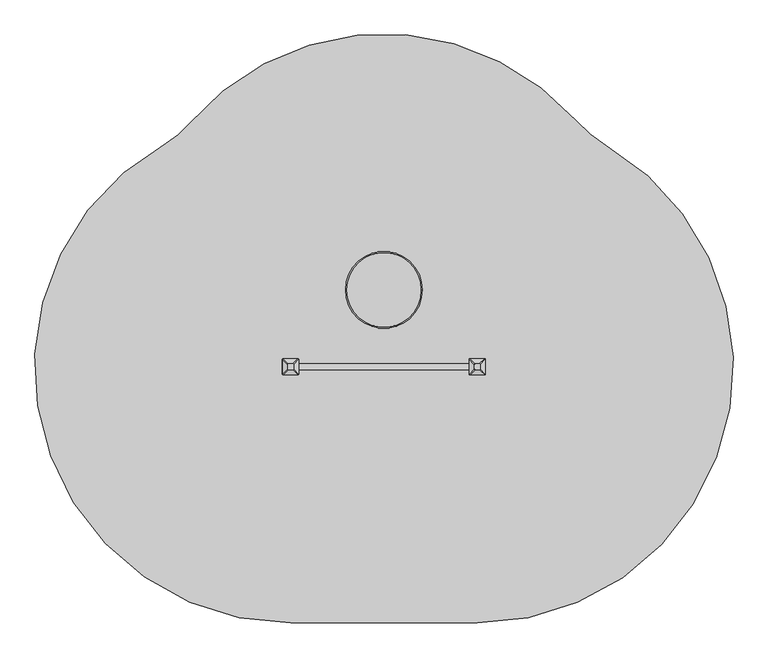
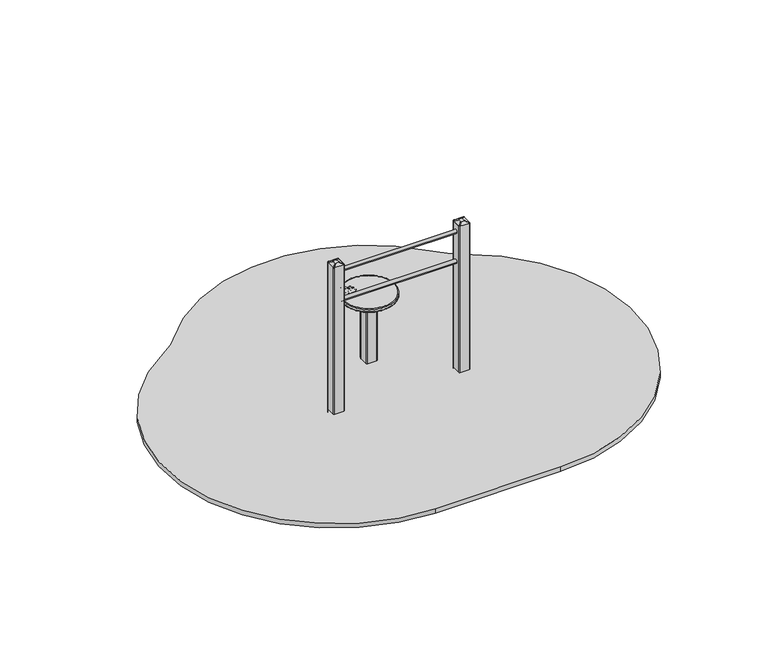
"""IFC4 building model written with IfcOpenShell, lengths in millimetres: furniture geometry."""

from ifc_helpers import new_model, si_unit, point, frame, frame_2d, origin, place, context, project, spatial, polyline, circle_curve, ellipse_curve, trimmed, segment, composite_curve, outline, extrude, source, transform, mapped, element, save
from ifc_brep_helpers import plane_surface, cylinder_surface, revolved_surface, extruded_surface, advanced_brep


def furniture_0ec9bd54(model_context):
    return source(origin(), model_context, "Body", "SolidModel", [
        advanced_brep(
        [(-225.0, 655.0, 614.909713), (225.0, 655.0, 614.909713), (225.0, 655.0, 594.909713), (-225.0, 655.0, 594.909713), (-220.0, 655.0, 619.909713), (220.0, 655.0, 619.909713), (220.0, 655.0, 589.909713), (-220.0, 655.0, 589.909713)],
        [
            (0, 1, circle_curve(frame((0.0, 655.0, 614.909713), z_axis=(0.0, 0.0, -1.0), x_axis=(1.0, 0.0, 0.0)), 225.0)),
            (1, 2),
            (2, 3, circle_curve(frame((0.0, 655.0, 594.909713), z_axis=(0.0, 0.0, 1.0), x_axis=(1.0, 0.0, 0.0)), 225.0)),
            (3, 0),
            (1, 0, circle_curve(frame((0.0, 655.0, 614.909713), z_axis=(0.0, 0.0, -1.0), x_axis=(1.0, 0.0, 0.0)), 225.0)),
            (3, 2, circle_curve(frame((0.0, 655.0, 594.909713), z_axis=(0.0, 0.0, 1.0), x_axis=(1.0, 0.0, 0.0)), 225.0)),
            (0, 4, circle_curve(frame((-220.0, 655.0, 614.909713), z_axis=(0.0, 1.0, 0.0), x_axis=(1.0, 0.0, 0.0)), 5.0)),
            (4, 5, circle_curve(frame((0.0, 655.0, 619.909713), z_axis=(0.0, 0.0, -1.0), x_axis=(1.0, 0.0, 0.0)), 220.0)),
            (5, 1, circle_curve(frame((220.0, 655.0, 614.909713), z_axis=(0.0, 1.0, 0.0), x_axis=(-1.0, 0.0, 0.0)), 5.0)),
            (5, 4, circle_curve(frame((0.0, 655.0, 619.909713), z_axis=(0.0, 0.0, -1.0), x_axis=(1.0, 0.0, 0.0)), 220.0)),
            (2, 6, circle_curve(frame((220.0, 655.0, 594.909713), z_axis=(0.0, 1.0, 0.0), x_axis=(-1.0, 0.0, 0.0)), 5.0)),
            (6, 7, circle_curve(frame((0.0, 655.0, 589.909713), z_axis=(0.0, 0.0, 1.0), x_axis=(1.0, 0.0, 0.0)), 220.0)),
            (7, 3, circle_curve(frame((-220.0, 655.0, 594.909713), z_axis=(0.0, 1.0, 0.0), x_axis=(1.0, 0.0, 0.0)), 5.0)),
            (7, 6, circle_curve(frame((0.0, 655.0, 589.909713), z_axis=(0.0, 0.0, 1.0), x_axis=(1.0, 0.0, 0.0)), 220.0)),
        ],
        [
            cylinder_surface(frame((0.0, 655.0, 356.0985708), z_axis=(0.0, 0.0, 1.0), x_axis=(1.0, 0.0, 0.0)), 225.0),
            revolved_surface(trimmed(ellipse_curve(frame((220.0, 655.0, 614.909713), z_axis=(0.0, -1.0, 0.0), x_axis=(-1.0, 0.0, 0.0)), 5.0, 5.0), [point((225.0, 655.0, 614.909713))], [point((220.0, 655.0, 619.909713))], True, "CARTESIAN"), (0.0, 655.0, 356.0985708), (0.0, 0.0, 1.0)),
            revolved_surface(trimmed(ellipse_curve(frame((220.0, 655.0, 594.909713), z_axis=(0.0, -1.0, 0.0), x_axis=(-1.0, 0.0, 0.0)), 5.0, 5.0), [point((220.0, 655.0, 589.909713))], [point((225.0, 655.0, 594.909713))], True, "CARTESIAN"), (0.0, 655.0, 356.0985708), (0.0, 0.0, 1.0)),
            plane_surface(frame((220.0, 655.0, 619.909713), z_axis=(0.0, 0.0, 1.0), x_axis=(0.0, 1.0, 0.0))),
            plane_surface(frame((220.0, 655.0, 589.909713), z_axis=(0.0, 0.0, -1.0), x_axis=(0.0, -1.0, 0.0))),
        ],
        [
            (0, [[1, 2, 3, 4]]),
            (0, [[-2, 5, -4, 6]]),
            (1, [[-1, 7, 8, 9]]),
            (1, [[-5, -9, 10, -7]]),
            (2, [[-3, 11, 12, 13]]),
            (2, [[-6, -13, 14, -11]]),
            (3, [[-8, -10]]),
            (4, [[-12, -14]]),
        ],
    ),
        extrude(outline(composite_curve([segment(trimmed(circle_curve(frame_2d((-109.945789, 765.9640076)), 57.5047727), [point((-167.4505617, 765.9640076))], [point((-52.4410163, 765.9640076))], False, "CARTESIAN"), True, "CONTINUOUS"), segment(trimmed(circle_curve(frame_2d((-109.945789, 765.9640076)), 57.5047727), [point((-52.4410163, 765.9640076))], [point((-167.4505617, 765.9640076))], False, "CARTESIAN"), True, "CONTINUOUS")], self_intersect=False), holes=[composite_curve([segment(trimmed(circle_curve(frame_2d((-128.3138267, 780.3419659)), 0.4540453), [point((-127.9437797, 780.6050673))], [point((-128.3138267, 779.8879206))], False, "CARTESIAN"), True, "CONTINUOUS"), segment(polyline([(-128.3138267, 779.8879206), (-144.7091929, 779.8879206)]), True, "CONTINUOUS"), segment(trimmed(circle_curve(frame_2d((-144.7091929, 775.1179024)), 4.7700182), [point((-144.7091929, 779.8879206))], [point((-144.7091929, 770.3478842))], True, "CARTESIAN"), True, "CONTINUOUS"), segment(polyline([(-144.7091929, 770.3478842), (-135.5327662, 770.3478842)]), True, "CONTINUOUS"), segment(trimmed(circle_curve(frame_2d((-135.5327662, 766.6555765)), 3.6923077), [point((-135.5327662, 770.3478842))], [point((-132.0631319, 765.3927329))], False, "CARTESIAN"), True, "CONTINUOUS"), segment(polyline([(-132.0631319, 765.3927329), (-139.1805561, 745.8377707)]), True, "CONTINUOUS"), segment(trimmed(circle_curve(frame_2d((-133.5869898, 746.2870818)), 5.611583), [point((-139.1805561, 745.8377707))], [point((-128.3138267, 744.3678074))], True, "CARTESIAN"), True, "CONTINUOUS"), segment(polyline([(-128.3138267, 744.3678074), (-125.0241589, 753.4060953)]), True, "CONTINUOUS"), segment(trimmed(circle_curve(frame_2d((-122.7753651, 752.5876013)), 2.3931164), [point((-125.0241589, 753.4060953))], [point((-120.5265713, 753.4060953))], False, "CARTESIAN"), True, "CONTINUOUS"), segment(polyline([(-120.5265713, 753.4060953), (-117.2369036, 744.3678074)]), True, "CONTINUOUS"), segment(trimmed(circle_curve(frame_2d((-111.9637405, 746.2870818)), 5.611583), [point((-117.2369036, 744.3678074))], [point((-106.3701742, 745.8377707))], True, "CARTESIAN"), True, "CONTINUOUS"), segment(polyline([(-106.3701742, 745.8377707), (-113.4875984, 765.3927329)]), True, "CONTINUOUS"), segment(trimmed(circle_curve(frame_2d((-110.0179641, 766.6555765)), 3.6923077), [point((-113.4875984, 765.3927329))], [point((-110.0179641, 770.3478842))], False, "CARTESIAN"), True, "CONTINUOUS"), segment(polyline([(-110.0179641, 770.3478842), (-100.8415374, 770.3478842)]), True, "CONTINUOUS"), segment(trimmed(circle_curve(frame_2d((-95.1870348, 777.807878)), 9.3608176), [point((-100.8415374, 770.3478842))], [point((-104.3138267, 779.8879206))], False, "CARTESIAN"), True, "CONTINUOUS"), segment(polyline([(-104.3138267, 779.8879206), (-117.2369036, 779.8879206)]), True, "CONTINUOUS"), segment(trimmed(circle_curve(frame_2d((-117.2369036, 780.5008204)), 0.6128997), [point((-117.2369036, 779.8879206))], [point((-117.7684156, 780.8060107))], False, "CARTESIAN"), True, "CONTINUOUS"), segment(trimmed(circle_curve(frame_2d((-123.0503583, 790.5425042)), 11.0769231), [point((-117.7684156, 780.8060107))], [point((-127.9437797, 780.6050673))], True, "CARTESIAN"), True, "CONTINUOUS")], self_intersect=False), composite_curve([segment(trimmed(circle_curve(frame_2d((-96.6356807, 770.6730779)), 1.0108717), [point((-95.8884051, 771.3538427))], [point((-96.5143941, 769.6695087))], False, "CARTESIAN"), True, "CONTINUOUS"), segment(polyline([(-96.5143941, 769.6695087), (-109.1313316, 769.6695087)]), True, "CONTINUOUS"), segment(trimmed(circle_curve(frame_2d((-106.4880266, 765.054124)), 5.318725), [point((-109.1313316, 769.6695087))], [point((-109.1313316, 760.4387394))], True, "CARTESIAN"), True, "CONTINUOUS"), segment(polyline([(-109.1313316, 760.4387394), (-98.0544085, 760.4387394), (-106.2628919, 737.8861165)]), True, "CONTINUOUS"), segment(trimmed(circle_curve(frame_2d((-93.9418916, 757.6601945)), 23.2985238), [point((-106.2628919, 737.8861165))], [point((-90.6697931, 734.5925856))], True, "CARTESIAN"), True, "CONTINUOUS"), segment(trimmed(circle_curve(frame_2d((-87.3976946, 757.6601945)), 23.2985238), [point((-90.6697931, 734.5925856))], [point((-75.0766943, 737.8861165))], True, "CARTESIAN"), True, "CONTINUOUS"), segment(polyline([(-75.0766943, 737.8861165), (-83.2851777, 760.4387394), (-72.2082546, 760.4387394)]), True, "CONTINUOUS"), segment(trimmed(circle_curve(frame_2d((-74.8515595, 765.054124)), 5.318725), [point((-72.2082546, 760.4387394))], [point((-72.2082546, 769.6695087))], True, "CARTESIAN"), True, "CONTINUOUS"), segment(polyline([(-72.2082546, 769.6695087), (-86.7183206, 769.6695087)]), True, "CONTINUOUS"), segment(trimmed(circle_curve(frame_2d((-86.2247816, 770.2877508)), 0.7910778), [point((-86.7183206, 769.6695087))], [point((-86.7183206, 770.9059929))], False, "CARTESIAN"), True, "CONTINUOUS"), segment(trimmed(circle_curve(frame_2d((-90.8116144, 781.1988628)), 11.0769231), [point((-86.7183206, 770.9059929))], [point((-95.8884051, 771.3538427))], True, "CARTESIAN"), True, "CONTINUOUS")], self_intersect=False)]), frame((0.0, 0.0, 618.909713), z_axis=(0.0, 0.0, 1.0), x_axis=(1.0, 0.0, 0.0)), (0.0, 0.0, 1.0), 1.0),
        extrude(outline(composite_curve([segment(trimmed(circle_curve(frame_2d((42.5, 612.5)), 5.0), [point((47.5, 612.5))], [point((42.5, 607.5))], False, "CARTESIAN"), True, "CONTINUOUS"), segment(polyline([(42.5, 607.5), (-42.5, 607.5)]), True, "CONTINUOUS"), segment(trimmed(circle_curve(frame_2d((-42.5, 612.5)), 5.0), [point((-42.5, 607.5))], [point((-47.5, 612.5))], False, "CARTESIAN"), True, "CONTINUOUS"), segment(polyline([(-47.5, 612.5), (-47.5, 697.5)]), True, "CONTINUOUS"), segment(trimmed(circle_curve(frame_2d((-42.5, 697.5)), 5.0), [point((-47.5, 697.5))], [point((-42.5, 702.5))], False, "CARTESIAN"), True, "CONTINUOUS"), segment(polyline([(-42.5, 702.5), (42.5, 702.5)]), True, "CONTINUOUS"), segment(trimmed(circle_curve(frame_2d((42.5, 697.5)), 5.0), [point((42.5, 702.5))], [point((47.5, 697.5))], False, "CARTESIAN"), True, "CONTINUOUS"), segment(polyline([(47.5, 697.5), (47.5, 612.5)]), True, "CONTINUOUS")], self_intersect=False)), frame((0.0, 0.0, -600.0), z_axis=(0.0, 0.0, 1.0), x_axis=(1.0, 0.0, 0.0)), (0.0, 0.0, 1.0), 500.0),
        advanced_brep(
        [(90.0, 805.0, -600.0), (150.0, 745.0, -600.0), (150.0, 565.0, -600.0), (90.0, 505.0, -600.0), (-90.0, 505.0, -600.0), (-150.0, 565.0, -600.0), (-150.0, 745.0, -600.0), (-90.0, 805.0, -600.0), (-90.0, 805.0, -460.0), (90.0, 805.0, -460.0), (-150.0, 565.0, -460.0), (-150.0, 745.0, -460.0), (90.0, 505.0, -460.0), (-90.0, 505.0, -460.0), (150.0, 745.0, -460.0), (150.0, 565.0, -460.0), (-12.2959549, 727.6989403, -250.0), (-72.2959549, 667.6989403, -250.0), (-72.2959549, 642.3010597, -250.0), (-12.2959549, 582.3010597, -250.0), (12.2959549, 582.3010597, -250.0), (72.2959549, 642.3010597, -250.0), (72.2959549, 667.6989403, -250.0), (12.2959549, 727.6989403, -250.0)],
        [
            (0, 1, circle_curve(frame((90.0, 745.0, -600.0), z_axis=(0.0, 0.0, -1.0), x_axis=(1.0, 0.0, 0.0)), 60.0)),
            (1, 2),
            (2, 3, circle_curve(frame((90.0, 565.0, -600.0), z_axis=(0.0, 0.0, -1.0), x_axis=(1.0, 0.0, 0.0)), 60.0)),
            (3, 4),
            (4, 5, circle_curve(frame((-90.0, 565.0, -600.0), z_axis=(0.0, 0.0, -1.0), x_axis=(1.0, 0.0, 0.0)), 60.0)),
            (5, 6),
            (6, 7, circle_curve(frame((-90.0, 745.0, -600.0), z_axis=(0.0, 0.0, -1.0), x_axis=(1.0, 0.0, 0.0)), 60.0)),
            (7, 0),
            (7, 8),
            (8, 9),
            (9, 0),
            (5, 10),
            (10, 11),
            (11, 6),
            (3, 12),
            (12, 13),
            (13, 4),
            (1, 14),
            (14, 15),
            (15, 2),
            (16, 17, circle_curve(frame((-12.2959549, 667.6989403, -250.0), z_axis=(0.0, 0.0, 1.0), x_axis=(1.0, 0.0, 0.0)), 60.0)),
            (17, 18),
            (18, 19, circle_curve(frame((-12.2959549, 642.3010597, -250.0), z_axis=(0.0, 0.0, 1.0), x_axis=(1.0, 0.0, 0.0)), 60.0)),
            (19, 20),
            (20, 21, circle_curve(frame((12.2959549, 642.3010597, -250.0), z_axis=(0.0, 0.0, 1.0), x_axis=(1.0, 0.0, 0.0)), 60.0)),
            (21, 22),
            (22, 23, circle_curve(frame((12.2959549, 667.6989403, -250.0), z_axis=(0.0, 0.0, 1.0), x_axis=(1.0, 0.0, 0.0)), 60.0)),
            (23, 16),
            (17, 11),
            (10, 18),
            (19, 13),
            (12, 20),
            (21, 15),
            (14, 22),
            (23, 9),
            (8, 16),
            (11, 8, circle_curve(frame((-90.0, 745.0, -460.0), z_axis=(0.0, 0.0, -1.0), x_axis=(1.0, 0.0, 0.0)), 60.0)),
            (13, 10, circle_curve(frame((-90.0, 565.0, -460.0), z_axis=(0.0, 0.0, -1.0), x_axis=(1.0, 0.0, 0.0)), 60.0)),
            (15, 12, circle_curve(frame((90.0, 565.0, -460.0), z_axis=(0.0, 0.0, -1.0), x_axis=(1.0, 0.0, 0.0)), 60.0)),
            (9, 14, circle_curve(frame((90.0, 745.0, -460.0), z_axis=(0.0, 0.0, -1.0), x_axis=(1.0, 0.0, 0.0)), 60.0)),
        ],
        [
            plane_surface(frame((-176.6329682, 805.0, -600.0), z_axis=(0.0, 0.0, -1.0), x_axis=(1.0, 0.0, 0.0))),
            plane_surface(frame((90.0, 805.0, -460.0), z_axis=(0.0, 1.0, 0.0), x_axis=(0.0, 0.0, -1.0))),
            plane_surface(frame((-150.0, 745.0, -460.0), z_axis=(-1.0, 0.0, 0.0), x_axis=(0.0, 0.0, -1.0))),
            plane_surface(frame((-90.0, 505.0, -460.0), z_axis=(0.0, -1.0, 0.0), x_axis=(0.0, 0.0, -1.0))),
            plane_surface(frame((150.0, 565.0, -460.0), z_axis=(1.0, 0.0, 0.0), x_axis=(0.0, 0.0, -1.0))),
            plane_surface(frame((0.0, 655.0, -250.0), z_axis=(0.0, 0.0, 1.0), x_axis=(-1.0, 0.0, 0.0))),
            plane_surface(frame((-150.0, 655.0, -460.0), z_axis=(-0.9378559633153523, 0.0, 0.3470247715564883), x_axis=(0.0, -1.0, 0.0))),
            plane_surface(frame((0.0, 505.0, -460.0), z_axis=(0.0, -0.9384407279810882, 0.3454402988452927), x_axis=(1.0, 0.0, 0.0))),
            plane_surface(frame((150.0, 655.0, -460.0), z_axis=(0.9378559633153524, 0.0, 0.34702477155648764), x_axis=(0.0, 1.0, 0.0))),
            plane_surface(frame((0.0, 805.0, -460.0), z_axis=(0.0, 0.9384407279810884, 0.3454402988452924), x_axis=(-1.0, 0.0, 0.0))),
            cylinder_surface(frame((-90.0, 745.0, -600.0), z_axis=(0.0, 0.0, 1.0), x_axis=(1.0, 0.0, 0.0)), 60.0),
            cylinder_surface(frame((-90.0, 565.0, -600.0), z_axis=(0.0, 0.0, 1.0), x_axis=(1.0, 0.0, 0.0)), 60.0),
            cylinder_surface(frame((90.0, 565.0, -600.0), z_axis=(0.0, 0.0, 1.0), x_axis=(1.0, 0.0, 0.0)), 60.0),
            cylinder_surface(frame((90.0, 745.0, -600.0), z_axis=(0.0, 0.0, 1.0), x_axis=(1.0, 0.0, 0.0)), 60.0),
            extruded_surface(trimmed(circle_curve(frame((-90.0, 745.0, -460.0), z_axis=(0.0, 0.0, 1.0), x_axis=(1.0, 0.0, 0.0)), 60.0), [point((-90.0, 805.0, -460.0))], [point((-150.0, 745.0, -460.0))], True, "CARTESIAN"), (77.7040451, -77.3010597, 210.0), 236.8826132404947),
            extruded_surface(trimmed(circle_curve(frame((90.0, 745.0, -460.0), z_axis=(0.0, 0.0, 1.0), x_axis=(1.0, 0.0, 0.0)), 60.0), [point((150.0, 745.0, -460.0))], [point((90.0, 805.0, -460.0))], True, "CARTESIAN"), (-77.7040451, -77.3010597, 210.0), 236.8826132404947),
            extruded_surface(trimmed(circle_curve(frame((-90.0, 565.0, -460.0), z_axis=(0.0, 0.0, 1.0), x_axis=(1.0, 0.0, 0.0)), 60.0), [point((-150.0, 565.0, -460.0))], [point((-90.0, 505.0, -460.0))], True, "CARTESIAN"), (77.7040451, 77.3010597, 210.0), 236.8826132404947),
            extruded_surface(trimmed(circle_curve(frame((90.0, 565.0, -460.0), z_axis=(0.0, 0.0, 1.0), x_axis=(1.0, 0.0, 0.0)), 60.0), [point((90.0, 505.0, -460.0))], [point((150.0, 565.0, -460.0))], True, "CARTESIAN"), (-77.7040451, 77.3010597, 210.0), 236.8826132404947),
        ],
        [
            (0, [[1, 2, 3, 4, 5, 6, 7, 8]]),
            (1, [[-8, 9, 10, 11]]),
            (2, [[-6, 12, 13, 14]]),
            (3, [[-4, 15, 16, 17]]),
            (4, [[-2, 18, 19, 20]]),
            (5, [[21, 22, 23, 24, 25, 26, 27, 28]]),
            (6, [[-22, 29, -13, 30]]),
            (7, [[-24, 31, -16, 32]]),
            (8, [[-26, 33, -19, 34]]),
            (9, [[-28, 35, -10, 36]]),
            (10, [[-7, -14, 37, -9]]),
            (11, [[-5, -17, 38, -12]]),
            (12, [[-3, -20, 39, -15]]),
            (13, [[-1, -11, 40, -18]]),
            (14, [[-21, -36, -37, -29]]),
            (15, [[-27, -34, -40, -35]]),
            (16, [[-23, -30, -38, -31]]),
            (17, [[-25, -32, -39, -33]]),
        ],
    ),
        advanced_brep(
        [(564.5, 192.5, 1365.0), (564.5, 217.5, 1365.0), (559.5, 222.5, 1365.0), (534.5, 222.5, 1365.0), (529.5, 217.5, 1365.0), (529.5, 192.5, 1365.0), (534.5, 187.5, 1365.0), (559.5, 187.5, 1365.0), (594.5, 162.5, 1350.0), (589.5, 157.5, 1350.0), (504.5, 157.5, 1350.0), (499.5, 162.5, 1350.0), (499.5, 247.5, 1350.0), (504.5, 252.5, 1350.0), (589.5, 252.5, 1350.0), (594.5, 247.5, 1350.0)],
        [
            (0, 1),
            (1, 2, circle_curve(frame((559.5, 217.5, 1365.0), z_axis=(0.0, 0.0, 1.0), x_axis=(1.0, 0.0, 0.0)), 5.0)),
            (2, 3),
            (3, 4, circle_curve(frame((534.5, 217.5, 1365.0), z_axis=(0.0, 0.0, 1.0), x_axis=(1.0, 0.0, 0.0)), 5.0)),
            (4, 5),
            (5, 6, circle_curve(frame((534.5, 192.5, 1365.0), z_axis=(0.0, 0.0, 1.0), x_axis=(1.0, 0.0, 0.0)), 5.0)),
            (6, 7),
            (7, 0, circle_curve(frame((559.5, 192.5, 1365.0), z_axis=(0.0, 0.0, 1.0), x_axis=(1.0, 0.0, 0.0)), 5.0)),
            (8, 9, circle_curve(frame((589.5, 162.5, 1350.0), z_axis=(0.0, 0.0, -1.0), x_axis=(1.0, 0.0, 0.0)), 5.0)),
            (9, 10),
            (10, 11, circle_curve(frame((504.5, 162.5, 1350.0), z_axis=(0.0, 0.0, -1.0), x_axis=(1.0, 0.0, 0.0)), 5.0)),
            (11, 12),
            (12, 13, circle_curve(frame((504.5, 247.5, 1350.0), z_axis=(0.0, 0.0, -1.0), x_axis=(1.0, 0.0, 0.0)), 5.0)),
            (13, 14),
            (14, 15, circle_curve(frame((589.5, 247.5, 1350.0), z_axis=(0.0, 0.0, -1.0), x_axis=(1.0, 0.0, 0.0)), 5.0)),
            (15, 8),
            (15, 1),
            (0, 8),
            (14, 2),
            (13, 3),
            (12, 4),
            (11, 5),
            (10, 6),
            (9, 7),
        ],
        [
            plane_surface(frame((547.0, 205.0, 1365.0), z_axis=(0.0, 0.0, 1.0), x_axis=(-1.0, 0.0, 0.0))),
            plane_surface(frame((547.0, 205.0, 1350.0), z_axis=(0.0, 0.0, -1.0), x_axis=(-1.0, 0.0, 0.0))),
            plane_surface(frame((594.5, 205.0, 1350.0), z_axis=(0.447213595499958, 0.0, 0.894427190999916), x_axis=(0.0, 1.0, 0.0))),
            extruded_surface(trimmed(circle_curve(frame((589.5, 247.5, 1350.0), z_axis=(0.0, 0.0, 1.0), x_axis=(1.0, 0.0, 0.0)), 5.0), [point((594.5, 247.5, 1350.0))], [point((589.5, 252.5, 1350.0))], True, "CARTESIAN"), (-30.0, -30.0, 15.0), 45.0),
            plane_surface(frame((547.0, 252.5, 1350.0), z_axis=(0.0, 0.447213595499958, 0.894427190999916), x_axis=(-1.0, 0.0, 0.0))),
            extruded_surface(trimmed(circle_curve(frame((504.5, 247.5, 1350.0), z_axis=(0.0, 0.0, 1.0), x_axis=(1.0, 0.0, 0.0)), 5.0), [point((504.5, 252.5, 1350.0))], [point((499.5, 247.5, 1350.0))], True, "CARTESIAN"), (30.0, -30.0, 15.0), 45.0),
            plane_surface(frame((499.5, 205.0, 1350.0), z_axis=(-0.447213595499958, 0.0, 0.894427190999916), x_axis=(0.0, -1.0, 0.0))),
            extruded_surface(trimmed(circle_curve(frame((504.5, 162.5, 1350.0), z_axis=(0.0, 0.0, 1.0), x_axis=(1.0, 0.0, 0.0)), 5.0), [point((499.5, 162.5, 1350.0))], [point((504.5, 157.5, 1350.0))], True, "CARTESIAN"), (30.0, 30.0, 15.0), 45.0),
            plane_surface(frame((547.0, 157.5, 1350.0), z_axis=(0.0, -0.447213595499958, 0.894427190999916), x_axis=(1.0, 0.0, 0.0))),
            extruded_surface(trimmed(circle_curve(frame((589.5, 162.5, 1350.0), z_axis=(0.0, 0.0, 1.0), x_axis=(1.0, 0.0, 0.0)), 5.0), [point((589.5, 157.5, 1350.0))], [point((594.5, 162.5, 1350.0))], True, "CARTESIAN"), (-30.0, 30.0, 15.0), 45.0),
        ],
        [
            (0, [[1, 2, 3, 4, 5, 6, 7, 8]]),
            (1, [[9, 10, 11, 12, 13, 14, 15, 16]]),
            (2, [[-16, 17, -1, 18]]),
            (3, [[-15, 19, -2, -17]]),
            (4, [[-14, 20, -3, -19]]),
            (5, [[-13, 21, -4, -20]]),
            (6, [[-12, 22, -5, -21]]),
            (7, [[-11, 23, -6, -22]]),
            (8, [[-10, 24, -7, -23]]),
            (9, [[-9, -18, -8, -24]]),
        ],
    ),
        advanced_brep(
        [(-529.5, 192.5, 1365.0), (-529.5, 217.5, 1365.0), (-534.5, 222.5, 1365.0), (-559.5, 222.5, 1365.0), (-564.5, 217.5, 1365.0), (-564.5, 192.5, 1365.0), (-559.5, 187.5, 1365.0), (-534.5, 187.5, 1365.0), (-499.5, 162.5, 1350.0), (-504.5, 157.5, 1350.0), (-589.5, 157.5, 1350.0), (-594.5, 162.5, 1350.0), (-594.5, 247.5, 1350.0), (-589.5, 252.5, 1350.0), (-504.5, 252.5, 1350.0), (-499.5, 247.5, 1350.0)],
        [
            (0, 1),
            (1, 2, circle_curve(frame((-534.5, 217.5, 1365.0), z_axis=(0.0, 0.0, 1.0), x_axis=(1.0, 0.0, 0.0)), 5.0)),
            (2, 3),
            (3, 4, circle_curve(frame((-559.5, 217.5, 1365.0), z_axis=(0.0, 0.0, 1.0), x_axis=(1.0, 0.0, 0.0)), 5.0)),
            (4, 5),
            (5, 6, circle_curve(frame((-559.5, 192.5, 1365.0), z_axis=(0.0, 0.0, 1.0), x_axis=(1.0, 0.0, 0.0)), 5.0)),
            (6, 7),
            (7, 0, circle_curve(frame((-534.5, 192.5, 1365.0), z_axis=(0.0, 0.0, 1.0), x_axis=(1.0, 0.0, 0.0)), 5.0)),
            (8, 9, circle_curve(frame((-504.5, 162.5, 1350.0), z_axis=(0.0, 0.0, -1.0), x_axis=(1.0, 0.0, 0.0)), 5.0)),
            (9, 10),
            (10, 11, circle_curve(frame((-589.5, 162.5, 1350.0), z_axis=(0.0, 0.0, -1.0), x_axis=(1.0, 0.0, 0.0)), 5.0)),
            (11, 12),
            (12, 13, circle_curve(frame((-589.5, 247.5, 1350.0), z_axis=(0.0, 0.0, -1.0), x_axis=(1.0, 0.0, 0.0)), 5.0)),
            (13, 14),
            (14, 15, circle_curve(frame((-504.5, 247.5, 1350.0), z_axis=(0.0, 0.0, -1.0), x_axis=(1.0, 0.0, 0.0)), 5.0)),
            (15, 8),
            (15, 1),
            (0, 8),
            (14, 2),
            (13, 3),
            (12, 4),
            (11, 5),
            (10, 6),
            (9, 7),
        ],
        [
            plane_surface(frame((-547.0, 205.0, 1365.0), z_axis=(0.0, 0.0, 1.0), x_axis=(-1.0, 0.0, 0.0))),
            plane_surface(frame((-547.0, 205.0, 1350.0), z_axis=(0.0, 0.0, -1.0), x_axis=(-1.0, 0.0, 0.0))),
            plane_surface(frame((-499.5, 205.0, 1350.0), z_axis=(0.447213595499958, 0.0, 0.894427190999916), x_axis=(0.0, 1.0, 0.0))),
            extruded_surface(trimmed(circle_curve(frame((-504.5, 247.5, 1350.0), z_axis=(0.0, 0.0, 1.0), x_axis=(1.0, 0.0, 0.0)), 5.0), [point((-499.5, 247.5, 1350.0))], [point((-504.5, 252.5, 1350.0))], True, "CARTESIAN"), (-30.0, -30.0, 15.0), 45.0),
            plane_surface(frame((-547.0, 252.5, 1350.0), z_axis=(0.0, 0.447213595499958, 0.894427190999916), x_axis=(-1.0, 0.0, 0.0))),
            extruded_surface(trimmed(circle_curve(frame((-589.5, 247.5, 1350.0), z_axis=(0.0, 0.0, 1.0), x_axis=(1.0, 0.0, 0.0)), 5.0), [point((-589.5, 252.5, 1350.0))], [point((-594.5, 247.5, 1350.0))], True, "CARTESIAN"), (30.0, -30.0, 15.0), 45.0),
            plane_surface(frame((-594.5, 205.0, 1350.0), z_axis=(-0.447213595499958, 0.0, 0.894427190999916), x_axis=(0.0, -1.0, 0.0))),
            extruded_surface(trimmed(circle_curve(frame((-589.5, 162.5, 1350.0), z_axis=(0.0, 0.0, 1.0), x_axis=(1.0, 0.0, 0.0)), 5.0), [point((-594.5, 162.5, 1350.0))], [point((-589.5, 157.5, 1350.0))], True, "CARTESIAN"), (30.0, 30.0, 15.0), 45.0),
            plane_surface(frame((-547.0, 157.5, 1350.0), z_axis=(0.0, -0.447213595499958, 0.894427190999916), x_axis=(1.0, 0.0, 0.0))),
            extruded_surface(trimmed(circle_curve(frame((-504.5, 162.5, 1350.0), z_axis=(0.0, 0.0, 1.0), x_axis=(1.0, 0.0, 0.0)), 5.0), [point((-504.5, 157.5, 1350.0))], [point((-499.5, 162.5, 1350.0))], True, "CARTESIAN"), (-30.0, 30.0, 15.0), 45.0),
        ],
        [
            (0, [[1, 2, 3, 4, 5, 6, 7, 8]]),
            (1, [[9, 10, 11, 12, 13, 14, 15, 16]]),
            (2, [[-16, 17, -1, 18]]),
            (3, [[-15, 19, -2, -17]]),
            (4, [[-14, 20, -3, -19]]),
            (5, [[-13, 21, -4, -20]]),
            (6, [[-12, 22, -5, -21]]),
            (7, [[-11, 23, -6, -22]]),
            (8, [[-10, 24, -7, -23]]),
            (9, [[-9, -18, -8, -24]]),
        ],
    ),
        extrude(outline(composite_curve([segment(trimmed(circle_curve(frame_2d((589.5, 162.5)), 5.0), [point((594.5, 162.5))], [point((589.5, 157.5))], False, "CARTESIAN"), True, "CONTINUOUS"), segment(polyline([(589.5, 157.5), (504.5, 157.5)]), True, "CONTINUOUS"), segment(trimmed(circle_curve(frame_2d((504.5, 162.5)), 5.0), [point((504.5, 157.5))], [point((499.5, 162.5))], False, "CARTESIAN"), True, "CONTINUOUS"), segment(polyline([(499.5, 162.5), (499.5, 247.5)]), True, "CONTINUOUS"), segment(trimmed(circle_curve(frame_2d((504.5, 247.5)), 5.0), [point((499.5, 247.5))], [point((504.5, 252.5))], False, "CARTESIAN"), True, "CONTINUOUS"), segment(polyline([(504.5, 252.5), (589.5, 252.5)]), True, "CONTINUOUS"), segment(trimmed(circle_curve(frame_2d((589.5, 247.5)), 5.0), [point((589.5, 252.5))], [point((594.5, 247.5))], False, "CARTESIAN"), True, "CONTINUOUS"), segment(polyline([(594.5, 247.5), (594.5, 162.5)]), True, "CONTINUOUS")], self_intersect=False)), frame((0.0, 0.0, -600.0), z_axis=(0.0, 0.0, 1.0), x_axis=(1.0, 0.0, 0.0)), (0.0, 0.0, 1.0), 500.0),
        advanced_brep(
        [(637.0, 355.0, -600.0), (697.0, 295.0, -600.0), (697.0, 115.0, -600.0), (637.0, 55.0, -600.0), (457.0, 55.0, -600.0), (397.0, 115.0, -600.0), (397.0, 295.0, -600.0), (457.0, 355.0, -600.0), (457.0, 355.0, -460.0), (637.0, 355.0, -460.0), (397.0, 115.0, -460.0), (397.0, 295.0, -460.0), (637.0, 55.0, -460.0), (457.0, 55.0, -460.0), (697.0, 295.0, -460.0), (697.0, 115.0, -460.0), (534.7040451, 277.6989403, -250.0), (474.7040451, 217.6989403, -250.0), (474.7040451, 192.3010597, -250.0), (534.7040451, 132.3010597, -250.0), (559.2959549, 132.3010597, -250.0), (619.2959549, 192.3010597, -250.0), (619.2959549, 217.6989403, -250.0), (559.2959549, 277.6989403, -250.0)],
        [
            (0, 1, circle_curve(frame((637.0, 295.0, -600.0), z_axis=(0.0, 0.0, -1.0), x_axis=(1.0, 0.0, 0.0)), 60.0)),
            (1, 2),
            (2, 3, circle_curve(frame((637.0, 115.0, -600.0), z_axis=(0.0, 0.0, -1.0), x_axis=(1.0, 0.0, 0.0)), 60.0)),
            (3, 4),
            (4, 5, circle_curve(frame((457.0, 115.0, -600.0), z_axis=(0.0, 0.0, -1.0), x_axis=(1.0, 0.0, 0.0)), 60.0)),
            (5, 6),
            (6, 7, circle_curve(frame((457.0, 295.0, -600.0), z_axis=(0.0, 0.0, -1.0), x_axis=(1.0, 0.0, 0.0)), 60.0)),
            (7, 0),
            (7, 8),
            (8, 9),
            (9, 0),
            (5, 10),
            (10, 11),
            (11, 6),
            (3, 12),
            (12, 13),
            (13, 4),
            (1, 14),
            (14, 15),
            (15, 2),
            (16, 17, circle_curve(frame((534.7040451, 217.6989403, -250.0), z_axis=(0.0, 0.0, 1.0), x_axis=(1.0, 0.0, 0.0)), 60.0)),
            (17, 18),
            (18, 19, circle_curve(frame((534.7040451, 192.3010597, -250.0), z_axis=(0.0, 0.0, 1.0), x_axis=(1.0, 0.0, 0.0)), 60.0)),
            (19, 20),
            (20, 21, circle_curve(frame((559.2959549, 192.3010597, -250.0), z_axis=(0.0, 0.0, 1.0), x_axis=(1.0, 0.0, 0.0)), 60.0)),
            (21, 22),
            (22, 23, circle_curve(frame((559.2959549, 217.6989403, -250.0), z_axis=(0.0, 0.0, 1.0), x_axis=(1.0, 0.0, 0.0)), 60.0)),
            (23, 16),
            (17, 11),
            (10, 18),
            (19, 13),
            (12, 20),
            (21, 15),
            (14, 22),
            (23, 9),
            (8, 16),
            (11, 8, circle_curve(frame((457.0, 295.0, -460.0), z_axis=(0.0, 0.0, -1.0), x_axis=(1.0, 0.0, 0.0)), 60.0)),
            (13, 10, circle_curve(frame((457.0, 115.0, -460.0), z_axis=(0.0, 0.0, -1.0), x_axis=(1.0, 0.0, 0.0)), 60.0)),
            (15, 12, circle_curve(frame((637.0, 115.0, -460.0), z_axis=(0.0, 0.0, -1.0), x_axis=(1.0, 0.0, 0.0)), 60.0)),
            (9, 14, circle_curve(frame((637.0, 295.0, -460.0), z_axis=(0.0, 0.0, -1.0), x_axis=(1.0, 0.0, 0.0)), 60.0)),
        ],
        [
            plane_surface(frame((370.3670318, 355.0, -600.0), z_axis=(0.0, 0.0, -1.0), x_axis=(1.0, 0.0, 0.0))),
            plane_surface(frame((637.0, 355.0, -460.0), z_axis=(0.0, 1.0, 0.0), x_axis=(0.0, 0.0, -1.0))),
            plane_surface(frame((397.0, 295.0, -460.0), z_axis=(-1.0, 0.0, 0.0), x_axis=(0.0, 0.0, -1.0))),
            plane_surface(frame((457.0, 55.0, -460.0), z_axis=(0.0, -1.0, 0.0), x_axis=(0.0, 0.0, -1.0))),
            plane_surface(frame((697.0, 115.0, -460.0), z_axis=(1.0, 0.0, 0.0), x_axis=(0.0, 0.0, -1.0))),
            plane_surface(frame((547.0, 205.0, -250.0), z_axis=(0.0, 0.0, 1.0), x_axis=(-1.0, 0.0, 0.0))),
            plane_surface(frame((397.0, 205.0, -460.0), z_axis=(-0.9378559633153523, 0.0, 0.3470247715564883), x_axis=(0.0, -1.0, 0.0))),
            plane_surface(frame((547.0, 55.0, -460.0), z_axis=(0.0, -0.9384407279810882, 0.3454402988452927), x_axis=(1.0, 0.0, 0.0))),
            plane_surface(frame((697.0, 205.0, -460.0), z_axis=(0.9378559633153524, 0.0, 0.34702477155648764), x_axis=(0.0, 1.0, 0.0))),
            plane_surface(frame((547.0, 355.0, -460.0), z_axis=(0.0, 0.9384407279810884, 0.3454402988452924), x_axis=(-1.0, 0.0, 0.0))),
            cylinder_surface(frame((457.0, 295.0, -600.0), z_axis=(0.0, 0.0, 1.0), x_axis=(1.0, 0.0, 0.0)), 60.0),
            cylinder_surface(frame((457.0, 115.0, -600.0), z_axis=(0.0, 0.0, 1.0), x_axis=(1.0, 0.0, 0.0)), 60.0),
            cylinder_surface(frame((637.0, 115.0, -600.0), z_axis=(0.0, 0.0, 1.0), x_axis=(1.0, 0.0, 0.0)), 60.0),
            cylinder_surface(frame((637.0, 295.0, -600.0), z_axis=(0.0, 0.0, 1.0), x_axis=(1.0, 0.0, 0.0)), 60.0),
            extruded_surface(trimmed(circle_curve(frame((457.0, 295.0, -460.0), z_axis=(0.0, 0.0, 1.0), x_axis=(1.0, 0.0, 0.0)), 60.0), [point((457.0, 355.0, -460.0))], [point((397.0, 295.0, -460.0))], True, "CARTESIAN"), (77.70404510000003, -77.3010597, 210.0), 236.88261324049472),
            extruded_surface(trimmed(circle_curve(frame((637.0, 295.0, -460.0), z_axis=(0.0, 0.0, 1.0), x_axis=(1.0, 0.0, 0.0)), 60.0), [point((697.0, 295.0, -460.0))], [point((637.0, 355.0, -460.0))], True, "CARTESIAN"), (-77.70404510000003, -77.3010597, 210.0), 236.88261324049472),
            extruded_surface(trimmed(circle_curve(frame((457.0, 115.0, -460.0), z_axis=(0.0, 0.0, 1.0), x_axis=(1.0, 0.0, 0.0)), 60.0), [point((397.0, 115.0, -460.0))], [point((457.0, 55.0, -460.0))], True, "CARTESIAN"), (77.70404510000003, 77.3010597, 210.0), 236.88261324049472),
            extruded_surface(trimmed(circle_curve(frame((637.0, 115.0, -460.0), z_axis=(0.0, 0.0, 1.0), x_axis=(1.0, 0.0, 0.0)), 60.0), [point((637.0, 55.0, -460.0))], [point((697.0, 115.0, -460.0))], True, "CARTESIAN"), (-77.70404510000003, 77.3010597, 210.0), 236.88261324049472),
        ],
        [
            (0, [[1, 2, 3, 4, 5, 6, 7, 8]]),
            (1, [[-8, 9, 10, 11]]),
            (2, [[-6, 12, 13, 14]]),
            (3, [[-4, 15, 16, 17]]),
            (4, [[-2, 18, 19, 20]]),
            (5, [[21, 22, 23, 24, 25, 26, 27, 28]]),
            (6, [[-22, 29, -13, 30]]),
            (7, [[-24, 31, -16, 32]]),
            (8, [[-26, 33, -19, 34]]),
            (9, [[-28, 35, -10, 36]]),
            (10, [[-7, -14, 37, -9]]),
            (11, [[-5, -17, 38, -12]]),
            (12, [[-3, -20, 39, -15]]),
            (13, [[-1, -11, 40, -18]]),
            (14, [[-21, -36, -37, -29]]),
            (15, [[-27, -34, -40, -35]]),
            (16, [[-23, -30, -38, -31]]),
            (17, [[-25, -32, -39, -33]]),
        ],
    ),
        extrude(outline(composite_curve([segment(trimmed(circle_curve(frame_2d((-504.5, 162.5)), 5.0), [point((-499.5, 162.5))], [point((-504.5, 157.5))], False, "CARTESIAN"), True, "CONTINUOUS"), segment(polyline([(-504.5, 157.5), (-589.5, 157.5)]), True, "CONTINUOUS"), segment(trimmed(circle_curve(frame_2d((-589.5, 162.5)), 5.0), [point((-589.5, 157.5))], [point((-594.5, 162.5))], False, "CARTESIAN"), True, "CONTINUOUS"), segment(polyline([(-594.5, 162.5), (-594.5, 247.5)]), True, "CONTINUOUS"), segment(trimmed(circle_curve(frame_2d((-589.5, 247.5)), 5.0), [point((-594.5, 247.5))], [point((-589.5, 252.5))], False, "CARTESIAN"), True, "CONTINUOUS"), segment(polyline([(-589.5, 252.5), (-504.5, 252.5)]), True, "CONTINUOUS"), segment(trimmed(circle_curve(frame_2d((-504.5, 247.5)), 5.0), [point((-504.5, 252.5))], [point((-499.5, 247.5))], False, "CARTESIAN"), True, "CONTINUOUS"), segment(polyline([(-499.5, 247.5), (-499.5, 162.5)]), True, "CONTINUOUS")], self_intersect=False)), frame((0.0, 0.0, -600.0), z_axis=(0.0, 0.0, 1.0), x_axis=(1.0, 0.0, 0.0)), (0.0, 0.0, 1.0), 500.0),
        advanced_brep(
        [(-457.0, 355.0, -600.0), (-397.0, 295.0, -600.0), (-397.0, 115.0, -600.0), (-457.0, 55.0, -600.0), (-637.0, 55.0, -600.0), (-697.0, 115.0, -600.0), (-697.0, 295.0, -600.0), (-637.0, 355.0, -600.0), (-637.0, 355.0, -460.0), (-457.0, 355.0, -460.0), (-697.0, 115.0, -460.0), (-697.0, 295.0, -460.0), (-457.0, 55.0, -460.0), (-637.0, 55.0, -460.0), (-397.0, 295.0, -460.0), (-397.0, 115.0, -460.0), (-559.2959549, 277.6989403, -250.0), (-619.2959549, 217.6989403, -250.0), (-619.2959549, 192.3010597, -250.0), (-559.2959549, 132.3010597, -250.0), (-534.7040451, 132.3010597, -250.0), (-474.7040451, 192.3010597, -250.0), (-474.7040451, 217.6989403, -250.0), (-534.7040451, 277.6989403, -250.0)],
        [
            (0, 1, circle_curve(frame((-457.0, 295.0, -600.0), z_axis=(0.0, 0.0, -1.0), x_axis=(1.0, 0.0, 0.0)), 60.0)),
            (1, 2),
            (2, 3, circle_curve(frame((-457.0, 115.0, -600.0), z_axis=(0.0, 0.0, -1.0), x_axis=(1.0, 0.0, 0.0)), 60.0)),
            (3, 4),
            (4, 5, circle_curve(frame((-637.0, 115.0, -600.0), z_axis=(0.0, 0.0, -1.0), x_axis=(1.0, 0.0, 0.0)), 60.0)),
            (5, 6),
            (6, 7, circle_curve(frame((-637.0, 295.0, -600.0), z_axis=(0.0, 0.0, -1.0), x_axis=(1.0, 0.0, 0.0)), 60.0)),
            (7, 0),
            (7, 8),
            (8, 9),
            (9, 0),
            (5, 10),
            (10, 11),
            (11, 6),
            (3, 12),
            (12, 13),
            (13, 4),
            (1, 14),
            (14, 15),
            (15, 2),
            (16, 17, circle_curve(frame((-559.2959549, 217.6989403, -250.0), z_axis=(0.0, 0.0, 1.0), x_axis=(1.0, 0.0, 0.0)), 60.0)),
            (17, 18),
            (18, 19, circle_curve(frame((-559.2959549, 192.3010597, -250.0), z_axis=(0.0, 0.0, 1.0), x_axis=(1.0, 0.0, 0.0)), 60.0)),
            (19, 20),
            (20, 21, circle_curve(frame((-534.7040451, 192.3010597, -250.0), z_axis=(0.0, 0.0, 1.0), x_axis=(1.0, 0.0, 0.0)), 60.0)),
            (21, 22),
            (22, 23, circle_curve(frame((-534.7040451, 217.6989403, -250.0), z_axis=(0.0, 0.0, 1.0), x_axis=(1.0, 0.0, 0.0)), 60.0)),
            (23, 16),
            (17, 11),
            (10, 18),
            (19, 13),
            (12, 20),
            (21, 15),
            (14, 22),
            (23, 9),
            (8, 16),
            (11, 8, circle_curve(frame((-637.0, 295.0, -460.0), z_axis=(0.0, 0.0, -1.0), x_axis=(1.0, 0.0, 0.0)), 60.0)),
            (13, 10, circle_curve(frame((-637.0, 115.0, -460.0), z_axis=(0.0, 0.0, -1.0), x_axis=(1.0, 0.0, 0.0)), 60.0)),
            (15, 12, circle_curve(frame((-457.0, 115.0, -460.0), z_axis=(0.0, 0.0, -1.0), x_axis=(1.0, 0.0, 0.0)), 60.0)),
            (9, 14, circle_curve(frame((-457.0, 295.0, -460.0), z_axis=(0.0, 0.0, -1.0), x_axis=(1.0, 0.0, 0.0)), 60.0)),
        ],
        [
            plane_surface(frame((-723.6329682, 355.0, -600.0), z_axis=(0.0, 0.0, -1.0), x_axis=(1.0, 0.0, 0.0))),
            plane_surface(frame((-457.0, 355.0, -460.0), z_axis=(0.0, 1.0, 0.0), x_axis=(0.0, 0.0, -1.0))),
            plane_surface(frame((-697.0, 295.0, -460.0), z_axis=(-1.0, 0.0, 0.0), x_axis=(0.0, 0.0, -1.0))),
            plane_surface(frame((-637.0, 55.0, -460.0), z_axis=(0.0, -1.0, 0.0), x_axis=(0.0, 0.0, -1.0))),
            plane_surface(frame((-397.0, 115.0, -460.0), z_axis=(1.0, 0.0, 0.0), x_axis=(0.0, 0.0, -1.0))),
            plane_surface(frame((-547.0, 205.0, -250.0), z_axis=(0.0, 0.0, 1.0), x_axis=(-1.0, 0.0, 0.0))),
            plane_surface(frame((-697.0, 205.0, -460.0), z_axis=(-0.9378559633153523, 0.0, 0.3470247715564883), x_axis=(0.0, -1.0, 0.0))),
            plane_surface(frame((-547.0, 55.0, -460.0), z_axis=(0.0, -0.9384407279810882, 0.3454402988452927), x_axis=(1.0, 0.0, 0.0))),
            plane_surface(frame((-397.0, 205.0, -460.0), z_axis=(0.9378559633153524, 0.0, 0.34702477155648764), x_axis=(0.0, 1.0, 0.0))),
            plane_surface(frame((-547.0, 355.0, -460.0), z_axis=(0.0, 0.9384407279810884, 0.3454402988452924), x_axis=(-1.0, 0.0, 0.0))),
            cylinder_surface(frame((-637.0, 295.0, -600.0), z_axis=(0.0, 0.0, 1.0), x_axis=(1.0, 0.0, 0.0)), 60.0),
            cylinder_surface(frame((-637.0, 115.0, -600.0), z_axis=(0.0, 0.0, 1.0), x_axis=(1.0, 0.0, 0.0)), 60.0),
            cylinder_surface(frame((-457.0, 115.0, -600.0), z_axis=(0.0, 0.0, 1.0), x_axis=(1.0, 0.0, 0.0)), 60.0),
            cylinder_surface(frame((-457.0, 295.0, -600.0), z_axis=(0.0, 0.0, 1.0), x_axis=(1.0, 0.0, 0.0)), 60.0),
            extruded_surface(trimmed(circle_curve(frame((-637.0, 295.0, -460.0), z_axis=(0.0, 0.0, 1.0), x_axis=(1.0, 0.0, 0.0)), 60.0), [point((-637.0, 355.0, -460.0))], [point((-697.0, 295.0, -460.0))], True, "CARTESIAN"), (77.70404510000003, -77.3010597, 210.0), 236.88261324049472),
            extruded_surface(trimmed(circle_curve(frame((-457.0, 295.0, -460.0), z_axis=(0.0, 0.0, 1.0), x_axis=(1.0, 0.0, 0.0)), 60.0), [point((-397.0, 295.0, -460.0))], [point((-457.0, 355.0, -460.0))], True, "CARTESIAN"), (-77.70404510000003, -77.3010597, 210.0), 236.88261324049472),
            extruded_surface(trimmed(circle_curve(frame((-637.0, 115.0, -460.0), z_axis=(0.0, 0.0, 1.0), x_axis=(1.0, 0.0, 0.0)), 60.0), [point((-697.0, 115.0, -460.0))], [point((-637.0, 55.0, -460.0))], True, "CARTESIAN"), (77.70404510000003, 77.3010597, 210.0), 236.88261324049472),
            extruded_surface(trimmed(circle_curve(frame((-457.0, 115.0, -460.0), z_axis=(0.0, 0.0, 1.0), x_axis=(1.0, 0.0, 0.0)), 60.0), [point((-457.0, 55.0, -460.0))], [point((-397.0, 115.0, -460.0))], True, "CARTESIAN"), (-77.70404510000003, 77.3010597, 210.0), 236.88261324049472),
        ],
        [
            (0, [[1, 2, 3, 4, 5, 6, 7, 8]]),
            (1, [[-8, 9, 10, 11]]),
            (2, [[-6, 12, 13, 14]]),
            (3, [[-4, 15, 16, 17]]),
            (4, [[-2, 18, 19, 20]]),
            (5, [[21, 22, 23, 24, 25, 26, 27, 28]]),
            (6, [[-22, 29, -13, 30]]),
            (7, [[-24, 31, -16, 32]]),
            (8, [[-26, 33, -19, 34]]),
            (9, [[-28, 35, -10, 36]]),
            (10, [[-7, -14, 37, -9]]),
            (11, [[-5, -17, 38, -12]]),
            (12, [[-3, -20, 39, -15]]),
            (13, [[-1, -11, 40, -18]]),
            (14, [[-21, -36, -37, -29]]),
            (15, [[-27, -34, -40, -35]]),
            (16, [[-23, -30, -38, -31]]),
            (17, [[-25, -32, -39, -33]]),
        ],
    ),
        extrude(outline(composite_curve([segment(polyline([(-42.5, 702.5), (42.5, 702.5)]), True, "CONTINUOUS"), segment(trimmed(circle_curve(frame_2d((42.5, 697.5)), 5.0), [point((42.5, 702.5))], [point((47.5, 697.5))], False, "CARTESIAN"), True, "CONTINUOUS"), segment(polyline([(47.5, 697.5), (47.5, 612.5)]), True, "CONTINUOUS"), segment(trimmed(circle_curve(frame_2d((42.5, 612.5)), 5.0), [point((47.5, 612.5))], [point((42.5, 607.5))], False, "CARTESIAN"), True, "CONTINUOUS"), segment(polyline([(42.5, 607.5), (-42.5, 607.5)]), True, "CONTINUOUS"), segment(trimmed(circle_curve(frame_2d((-42.5, 612.5)), 5.0), [point((-42.5, 607.5))], [point((-47.5, 612.5))], False, "CARTESIAN"), True, "CONTINUOUS"), segment(polyline([(-47.5, 612.5), (-47.5, 697.5)]), True, "CONTINUOUS"), segment(trimmed(circle_curve(frame_2d((-42.5, 697.5)), 5.0), [point((-47.5, 697.5))], [point((-42.5, 702.5))], False, "CARTESIAN"), True, "CONTINUOUS")], self_intersect=False)), frame((0.0, 0.0, -100.0), z_axis=(0.0, 0.0, 1.0), x_axis=(1.0, 0.0, 0.0)), (0.0, 0.0, 1.0), 689.909713),
        extrude(outline(composite_curve([segment(trimmed(circle_curve(frame_2d((-547.0, 205.0)), 1500.0), [point((-547.0, -1295.0))], [point((-1276.7985641, 1515.4938214))], False, "CARTESIAN"), True, "CONTINUOUS"), segment(trimmed(circle_curve(frame_2d((-1507.9014427, 1930.4835315)), 475.0), [point((-1276.7985641, 1515.4938214))], [point((-1145.2416021, 1623.7216695))], True, "CARTESIAN"), True, "CONTINUOUS"), segment(trimmed(circle_curve(frame_2d((0.0, 655.0)), 1500.0), [point((-1145.2416021, 1623.7216695))], [point((1126.6490309, 1645.2837781))], False, "CARTESIAN"), True, "CONTINUOUS"), segment(trimmed(circle_curve(frame_2d((1656.1740754, 2110.7171539)), 705.0), [point((1126.6490309, 1645.2837781))], [point((1301.5401873, 1501.4062271))], True, "CARTESIAN"), True, "CONTINUOUS"), segment(trimmed(circle_curve(frame_2d((547.0, 205.0)), 1500.0), [point((1301.5401873, 1501.4062271))], [point((547.0, -1295.0))], False, "CARTESIAN"), True, "CONTINUOUS"), segment(polyline([(547.0, -1295.0), (-547.0, -1295.0)]), True, "CONTINUOUS")], self_intersect=False)), frame((0.0, 0.0, -40.0), z_axis=(0.0, 0.0, 1.0), x_axis=(1.0, 0.0, 0.0)), (0.0, 0.0, 1.0), 41.0),
        extrude(outline(composite_curve([segment(trimmed(circle_curve(frame_2d((205.0, 1277.0)), 17.0), [point((188.0, 1277.0))], [point((222.0, 1277.0))], False, "CARTESIAN"), True, "CONTINUOUS"), segment(trimmed(circle_curve(frame_2d((205.0, 1277.0)), 17.0), [point((222.0, 1277.0))], [point((188.0, 1277.0))], False, "CARTESIAN"), True, "CONTINUOUS")], self_intersect=False)), frame((-499.5, 0.0, 0.0), z_axis=(1.0, 0.0, 0.0), x_axis=(0.0, 1.0, 0.0)), (0.0, 0.0, 1.0), 999.0),
        extrude(outline(composite_curve([segment(trimmed(circle_curve(frame_2d((205.0, 1003.0)), 17.0), [point((188.0, 1003.0))], [point((222.0, 1003.0))], False, "CARTESIAN"), True, "CONTINUOUS"), segment(trimmed(circle_curve(frame_2d((205.0, 1003.0)), 17.0), [point((222.0, 1003.0))], [point((188.0, 1003.0))], False, "CARTESIAN"), True, "CONTINUOUS")], self_intersect=False)), frame((-499.5, 0.0, 0.0), z_axis=(1.0, 0.0, 0.0), x_axis=(0.0, 1.0, 0.0)), (0.0, 0.0, 1.0), 999.0),
        extrude(outline(composite_curve([segment(polyline([(-589.5, 252.5), (-504.5, 252.5)]), True, "CONTINUOUS"), segment(trimmed(circle_curve(frame_2d((-504.5, 247.5)), 5.0), [point((-504.5, 252.5))], [point((-499.5, 247.5))], False, "CARTESIAN"), True, "CONTINUOUS"), segment(polyline([(-499.5, 247.5), (-499.5, 162.5)]), True, "CONTINUOUS"), segment(trimmed(circle_curve(frame_2d((-504.5, 162.5)), 5.0), [point((-499.5, 162.5))], [point((-504.5, 157.5))], False, "CARTESIAN"), True, "CONTINUOUS"), segment(polyline([(-504.5, 157.5), (-589.5, 157.5)]), True, "CONTINUOUS"), segment(trimmed(circle_curve(frame_2d((-589.5, 162.5)), 5.0), [point((-589.5, 157.5))], [point((-594.5, 162.5))], False, "CARTESIAN"), True, "CONTINUOUS"), segment(polyline([(-594.5, 162.5), (-594.5, 247.5)]), True, "CONTINUOUS"), segment(trimmed(circle_curve(frame_2d((-589.5, 247.5)), 5.0), [point((-594.5, 247.5))], [point((-589.5, 252.5))], False, "CARTESIAN"), True, "CONTINUOUS")], self_intersect=False)), frame((0.0, 0.0, -100.0), z_axis=(0.0, 0.0, 1.0), x_axis=(1.0, 0.0, 0.0)), (0.0, 0.0, 1.0), 1450.0),
        extrude(outline(composite_curve([segment(trimmed(circle_curve(frame_2d((504.5, 247.5)), 5.0), [point((499.5, 247.5))], [point((504.5, 252.5))], False, "CARTESIAN"), True, "CONTINUOUS"), segment(polyline([(504.5, 252.5), (589.5, 252.5)]), True, "CONTINUOUS"), segment(trimmed(circle_curve(frame_2d((589.5, 247.5)), 5.0), [point((589.5, 252.5))], [point((594.5, 247.5))], False, "CARTESIAN"), True, "CONTINUOUS"), segment(polyline([(594.5, 247.5), (594.5, 162.5)]), True, "CONTINUOUS"), segment(trimmed(circle_curve(frame_2d((589.5, 162.5)), 5.0), [point((594.5, 162.5))], [point((589.5, 157.5))], False, "CARTESIAN"), True, "CONTINUOUS"), segment(polyline([(589.5, 157.5), (504.5, 157.5)]), True, "CONTINUOUS"), segment(trimmed(circle_curve(frame_2d((504.5, 162.5)), 5.0), [point((504.5, 157.5))], [point((499.5, 162.5))], False, "CARTESIAN"), True, "CONTINUOUS"), segment(polyline([(499.5, 162.5), (499.5, 247.5)]), True, "CONTINUOUS")], self_intersect=False)), frame((0.0, 0.0, -100.0), z_axis=(0.0, 0.0, 1.0), x_axis=(1.0, 0.0, 0.0)), (0.0, 0.0, 1.0), 1450.0),
    ])


if __name__ == "__main__":
    model = new_model("IFC4")
    model_context = context("Model", 3, world=origin())
    ifc_project = project(units=[si_unit("LENGTHUNIT", "METRE", prefix="MILLI")], contexts=[model_context])
    site = spatial("IfcSite", under=ifc_project)
    building = spatial("IfcBuilding", under=site)
    placement = place(None, origin())
    furniture_shape = furniture_0ec9bd54(model_context)
    element("IfcFurniture", 1, at=placement, inside=building, context=model_context, shape_type="MappedRepresentation", body=[
        mapped(furniture_shape, transform((0.0, 0.0, 0.0), x_axis=(1.0, 0.0, 0.0), y_axis=(0.0, 1.0, 0.0), z_axis=(0.0, 0.0, 1.0))),
    ])
    save(model, "model.ifc")
